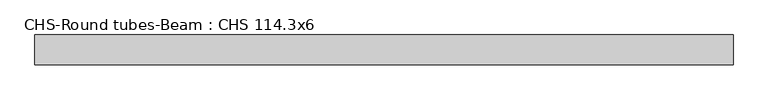
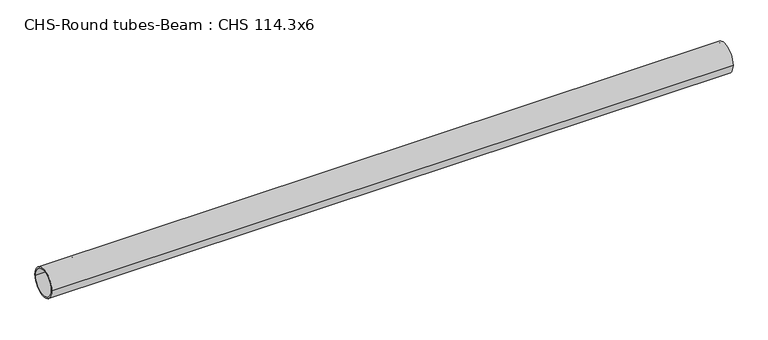
"""IFC4 building model written with IfcOpenShell, lengths in millimetres: beam geometry, CHS-Round tubes-Beam : CHS 114.3x6."""

from ifc_helpers import new_model, si_unit, point, frame, origin, origin_2d, place, context, project, spatial, circle_curve, trimmed, segment, composite_curve, outline, extrude, source, transform, mapped, element, save


def chs_round_tubes_beam_chs_114_3x6_6dba0310(model_context):
    return source(origin(), model_context, "Body", "SweptSolid", [
        extrude(outline(composite_curve([segment(trimmed(circle_curve(origin_2d(), 57.15), [point((57.15, 0.0))], [point((-57.15, 0.0))], False, "CARTESIAN"), True, "CONTINUOUS"), segment(trimmed(circle_curve(origin_2d(), 57.15), [point((-57.15, 0.0))], [point((57.15, 0.0))], False, "CARTESIAN"), True, "CONTINUOUS")], self_intersect=False), holes=[composite_curve([segment(trimmed(circle_curve(origin_2d(), 51.15), [point((51.15, 0.0))], [point((-51.15, 0.0))], True, "CARTESIAN"), True, "CONTINUOUS"), segment(trimmed(circle_curve(origin_2d(), 51.15), [point((-51.15, 0.0))], [point((51.15, 0.0))], True, "CARTESIAN"), True, "CONTINUOUS")], self_intersect=False)]), frame((-1328.942744, 0.0, 0.0), z_axis=(1.0, 0.0, 0.0), x_axis=(0.0, 1.0, 0.0)), (0.0, 0.0, 1.0), 2678.1292784),
    ])


if __name__ == "__main__":
    model = new_model("IFC4")
    model_context = context("Model", 3, world=origin())
    ifc_project = project(units=[si_unit("LENGTHUNIT", "METRE", prefix="MILLI")], contexts=[model_context])
    site = spatial("IfcSite", under=ifc_project)
    building = spatial("IfcBuilding", under=site)
    placement = place(None, origin())
    chs_round_tubes_beam_chs_114_3x6_shape = chs_round_tubes_beam_chs_114_3x6_6dba0310(model_context)
    element("IfcBeam", 1, ObjectType="CHS-Round tubes-Beam : CHS 114.3x6", at=placement, inside=building, context=model_context, shape_type="MappedRepresentation", body=[
        mapped(chs_round_tubes_beam_chs_114_3x6_shape, transform((0.0, 0.0, 0.0), x_axis=(1.0, 0.0, 0.0), y_axis=(0.0, 1.0, 0.0), z_axis=(0.0, 0.0, 1.0))),
    ])
    save(model, "model.ifc")
